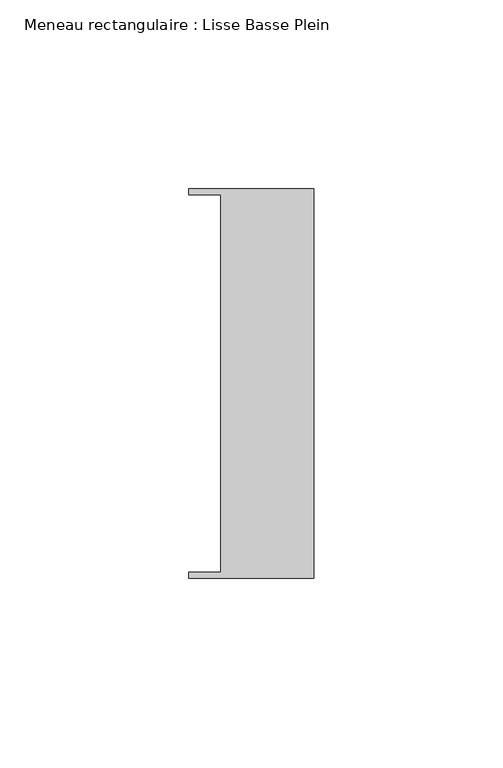
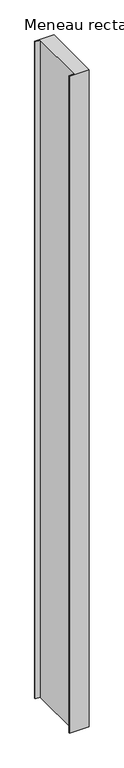
"""IFC4 building model written with IfcOpenShell, lengths in millimetres: member geometry, Meneau rectangulaire : Lisse Basse Plein."""

from ifc_helpers import new_model, si_unit, frame, origin, place, context, project, spatial, polyline, outline, extrude, source, transform, mapped, element, save


def meneau_rectangulaire_lisse_basse_plein_12f9908e(model_context):
    return source(origin(), model_context, "Body", "SweptSolid", [
        extrude(outline(polyline([(0.0, -51.5026203), (-33.0710396, -51.5026203), (-33.0710396, -49.9505686), (-24.7130865, -49.9505686), (-24.7130865, 49.9505686), (-33.0710396, 49.9505686), (-33.0710396, 51.5026203), (0.0, 51.5026203), (0.0, -51.5026203)])), frame((0.0, 0.0, -1183.1500003), z_axis=(0.0, 0.0, 1.0), x_axis=(1.0, 0.0, 0.0)), (0.0, 0.0, 1.0), 1183.1500003),
    ])


if __name__ == "__main__":
    model = new_model("IFC4")
    model_context = context("Model", 3, world=origin())
    ifc_project = project(units=[si_unit("LENGTHUNIT", "METRE", prefix="MILLI")], contexts=[model_context])
    site = spatial("IfcSite", under=ifc_project)
    building = spatial("IfcBuilding", under=site)
    placement = place(None, origin())
    meneau_rectangulaire_lisse_basse_plein_shape = meneau_rectangulaire_lisse_basse_plein_12f9908e(model_context)
    element("IfcMember", 1, ObjectType="Meneau rectangulaire : Lisse Basse Plein", at=placement, inside=building, context=model_context, shape_type="MappedRepresentation", body=[
        mapped(meneau_rectangulaire_lisse_basse_plein_shape, transform((0.0, 0.0, 0.0), x_axis=(1.0, 0.0, 0.0), y_axis=(0.0, 1.0, 0.0), z_axis=(0.0, 0.0, 1.0))),
    ])
    save(model, "model.ifc")
